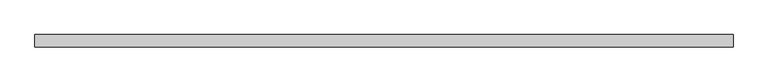
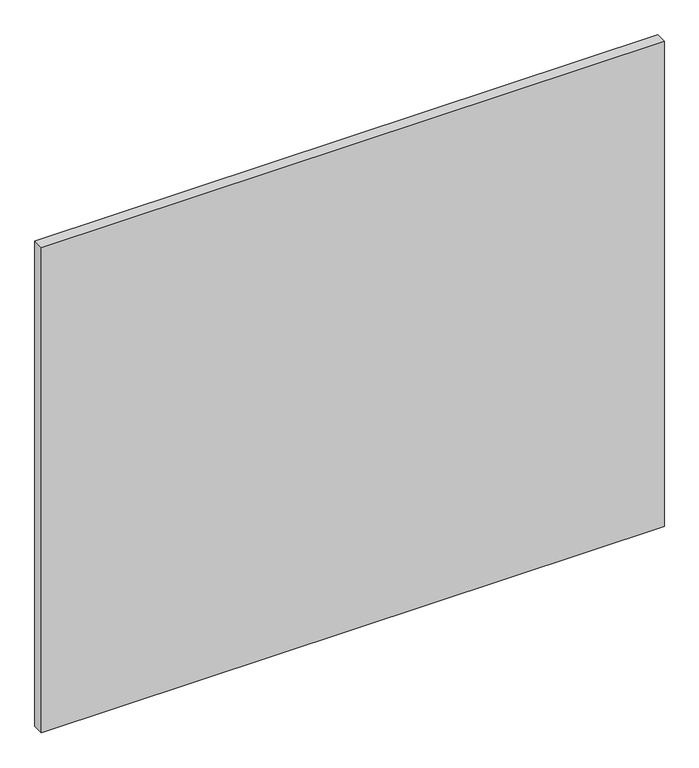
"""IFC4 building model written with IfcOpenShell, lengths in millimetres: proxy geometry."""

from ifc_helpers import new_model, si_unit, frame, origin, place, context, project, spatial, polyline, outline, extrude, source, transform, mapped, element, save


def specialty_equipment_56cd17a1(model_context):
    return source(origin(), model_context, "Body", "SweptSolid", [
        extrude(outline(polyline([(531.5249999, 0.0), (-531.5249999, 0.0), (-531.5249999, 19.05), (531.5249999, 19.05), (531.5249999, 0.0)])), frame((0.0, 0.0, 3.175), z_axis=(0.0, 0.0, 1.0), x_axis=(1.0, 0.0, 0.0)), (0.0, 0.0, 1.0), 875.4618001),
    ])


if __name__ == "__main__":
    model = new_model("IFC4")
    model_context = context("Model", 3, world=origin())
    ifc_project = project(units=[si_unit("LENGTHUNIT", "METRE", prefix="MILLI")], contexts=[model_context])
    site = spatial("IfcSite", under=ifc_project)
    building = spatial("IfcBuilding", under=site)
    placement = place(None, origin())
    specialty_equipment_shape = specialty_equipment_56cd17a1(model_context)
    element("IfcBuildingElementProxy", 1, Name="Specialty Equipment", at=placement, inside=building, context=model_context, shape_type="MappedRepresentation", body=[
        mapped(specialty_equipment_shape, transform((0.0, 0.0, 0.0), x_axis=(1.0, 0.0, 0.0), y_axis=(0.0, 1.0, 0.0), z_axis=(0.0, 0.0, 1.0))),
    ])
    save(model, "model.ifc")
